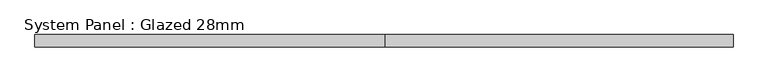
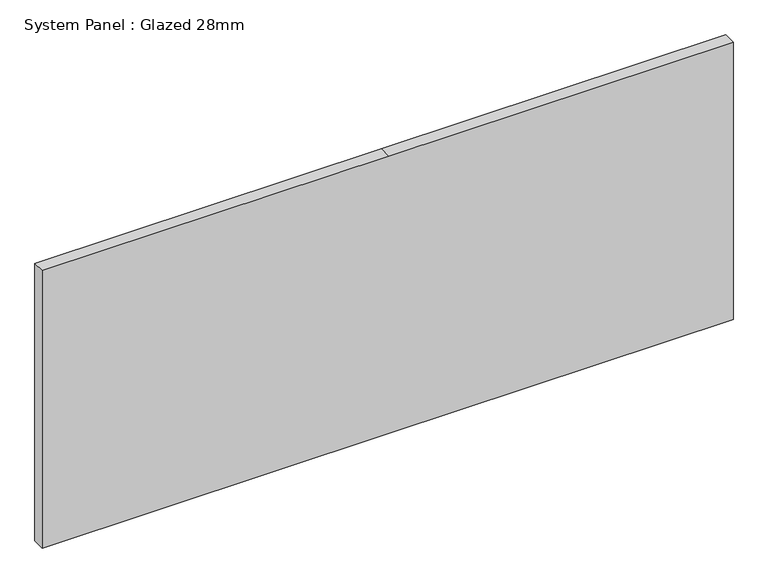
"""IFC4 building model written with IfcOpenShell, lengths in millimetres: plate geometry, System Panel : Glazed 28mm."""

import ifcopenshell
import ifcopenshell.guid

model = None  # the IFC model being written
_history = None  # IfcOwnerHistory: only IFC2X3 demands one
_inside = {}  # id of a spatial element -> (the spatial element, [elements in it])
_under = {}  # id of a project, library or spatial element -> (it, [spatial elements below it])
_declared = {}  # id of a project -> (the project, [libraries it declares])
_typed = {}  # id of a type object -> (the type object, [elements of that type])
_made_of = {}  # id of a material, layer set ... -> (it, [elements and type objects made of it])


def new_model(schema):
    """Start an empty IFC model of exactly this schema.

    Asked for "IFC4X3", IfcOpenShell would pick the latest addendum, in which some entities
    have other attributes; the version numbers below select the first issue.
    IFC2X3 requires an IfcOwnerHistory on every rooted entity: one is made here for all.
    """
    global model, _history
    if schema == "IFC4X3":
        model = ifcopenshell.file(schema_version=(4, 3, 0, 0))
    else:
        model = ifcopenshell.file(schema=schema)
    _inside.clear()
    _under.clear()
    _declared.clear()
    _typed.clear()
    _made_of.clear()
    _history = None
    if model.schema == "IFC2X3":
        org = make("IfcOrganization", Name="unknown")
        user = make(
            "IfcPersonAndOrganization",
            ThePerson=make("IfcPerson", FamilyName="unknown"),
            TheOrganization=org,
        )
        app = make(
            "IfcApplication",
            ApplicationDeveloper=org,
            Version="unknown",
            ApplicationFullName="unknown",
            ApplicationIdentifier="unknown",
        )
        _history = make(
            "IfcOwnerHistory",
            OwningUser=user,
            OwningApplication=app,
            ChangeAction="ADDED",
            CreationDate=0,
        )
    return model


def make(cls, **values):
    """One entity of the class cls with the attributes given. An attribute that is None is left unset."""
    return model.create_entity(
        cls, **{name: value for name, value in values.items() if value is not None}
    )


def rooted(cls, **values):
    """An entity with a GlobalId (a new one), such as an element, a storey or a relation."""
    return make(cls, GlobalId=ifcopenshell.guid.new(), OwnerHistory=_history, **values)


def si_unit(unit_type, name, prefix=None):
    """IfcSIUnit, for example si_unit("LENGTHUNIT", "METRE", prefix="MILLI")."""
    return make("IfcSIUnit", UnitType=unit_type, Prefix=prefix, Name=name)


def assignment(units):
    """IfcUnitAssignment: the units of a project."""
    return None if units is None else make("IfcUnitAssignment", Units=units)


def point(xyz):
    """IfcCartesianPoint."""
    return None if xyz is None else make("IfcCartesianPoint", Coordinates=xyz)


def direction(xyz):
    """IfcDirection."""
    return None if xyz is None else make("IfcDirection", DirectionRatios=xyz)


def frame(location, z_axis=None, x_axis=None):
    """IfcAxis2Placement3D, a coordinate frame: its origin and axes. An axis left out is left unset."""
    return make(
        "IfcAxis2Placement3D",
        Location=point(location),
        Axis=direction(z_axis),
        RefDirection=direction(x_axis),
    )


def origin():
    """The frame at (0, 0, 0) with its axes left unset."""
    return frame((0.0, 0.0, 0.0))


def place(relative_to, where):
    """IfcLocalPlacement: puts the frame where relative to a parent placement (None: the world)."""
    return make(
        "IfcLocalPlacement", PlacementRelTo=relative_to, RelativePlacement=where
    )


def context(
    kind, dimensions, precision=None, world=None, true_north=None, identifier=None
):
    """IfcGeometricRepresentationContext, for example the 3D "Model" context."""
    return make(
        "IfcGeometricRepresentationContext",
        ContextIdentifier=identifier,
        ContextType=kind,
        CoordinateSpaceDimension=dimensions,
        Precision=precision,
        WorldCoordinateSystem=world,
        TrueNorth=true_north,
    )


def project(units=None, contexts=None):
    """IfcProject with its units and contexts."""
    return rooted(
        "IfcProject",
        Name="project",
        RepresentationContexts=contexts,
        UnitsInContext=assignment(units),
    )


def spatial(cls, under=None, at=None, **own):
    """A site, building, storey or space (cls), placed at a placement, below another one or the project."""
    s = rooted(cls, ObjectPlacement=at, **own)
    if under is not None:
        _under.setdefault(under.id(), (under, []))[1].append(s)
    return s


def polyline(points):
    """IfcPolyline through the points."""
    return make("IfcPolyline", Points=[point(p) for p in points])


def outline(outer, holes=None, kind="AREA"):
    """IfcArbitraryClosedProfileDef: a profile drawn as a closed curve; with holes, ...WithVoids."""
    if holes is None:
        return make("IfcArbitraryClosedProfileDef", ProfileType=kind, OuterCurve=outer)
    return make(
        "IfcArbitraryProfileDefWithVoids",
        ProfileType=kind,
        OuterCurve=outer,
        InnerCurves=holes,
    )


def extrude(swept, where, along, depth):
    """IfcExtrudedAreaSolid: the profile swept, set in the frame where, extruded along a direction by depth."""
    return make(
        "IfcExtrudedAreaSolid",
        SweptArea=swept,
        Position=where,
        ExtrudedDirection=direction(along),
        Depth=depth,
    )


def shape(context_of_items, identifier, shape_type, items):
    """IfcShapeRepresentation: the items that make up one representation, for example the "Body"."""
    return make(
        "IfcShapeRepresentation",
        ContextOfItems=context_of_items,
        RepresentationIdentifier=identifier,
        RepresentationType=shape_type,
        Items=items,
    )


def source(mapping_origin, context_of_items, identifier, shape_type, items):
    """IfcRepresentationMap: a shape defined once, which mapped items show again and again."""
    return make(
        "IfcRepresentationMap",
        MappingOrigin=mapping_origin,
        MappedRepresentation=shape(context_of_items, identifier, shape_type, items),
    )


def transform(
    local_origin,
    x_axis=None,
    y_axis=None,
    z_axis=None,
    scale=None,
    scale2=None,
    scale3=None,
    uniform=True,
):
    """IfcCartesianTransformationOperator3D, or its non-uniform kind. x_axis, y_axis, z_axis: its Axis1, 2, 3."""
    if uniform:
        return make(
            "IfcCartesianTransformationOperator3D",
            Axis1=direction(x_axis),
            Axis2=direction(y_axis),
            LocalOrigin=point(local_origin),
            Scale=scale,
            Axis3=direction(z_axis),
        )
    return make(
        "IfcCartesianTransformationOperator3DnonUniform",
        Axis1=direction(x_axis),
        Axis2=direction(y_axis),
        LocalOrigin=point(local_origin),
        Scale=scale,
        Axis3=direction(z_axis),
        Scale2=scale2,
        Scale3=scale3,
    )


def mapped(mapping_source, mapping_target):
    """IfcMappedItem: shows the shape of a source again, moved by a transform."""
    return make(
        "IfcMappedItem", MappingSource=mapping_source, MappingTarget=mapping_target
    )


def made_of(thing, what):
    """Note that an element or type object is made of a material, layer set ...; save() writes the relation."""
    if what is not None:
        _made_of.setdefault(what.id(), (what, []))[1].append(thing)
    return thing


def element(
    cls,
    number,
    at=None,
    inside=None,
    cuts=None,
    type_object=None,
    material=None,
    context=None,
    identifier="Body",
    shape_type=None,
    held_by="IfcProductDefinitionShape",
    body=None,
    shapes=None,
    **own,
):
    """One element of the class cls, such as IfcWall. Its Tag is "e" and its number.

    at: its placement. inside: the storey or other place that contains it. cuts: it is an
    opening in that element (IfcRelVoidsElement). A single representation is given by context,
    identifier, shape_type and body (its items); several are given by shapes. held_by: the class
    of the entity that holds the representations. save() writes the other relations.
    """
    e = rooted(cls, Tag="e%d" % number, ObjectPlacement=at, **own)
    if body is not None:
        shapes = [shape(context, identifier, shape_type, body)]
    if shapes is not None:
        e.Representation = make(held_by, Representations=shapes)
    if inside is not None:
        _inside.setdefault(inside.id(), (inside, []))[1].append(e)
    if cuts is not None:
        rooted(
            "IfcRelVoidsElement", RelatingBuildingElement=cuts, RelatedOpeningElement=e
        )
    if type_object is not None:
        _typed.setdefault(type_object.id(), (type_object, []))[1].append(e)
    return made_of(e, material)


def aggregate(whole, parts):
    """IfcRelAggregates: a whole, such as a stair, and the parts it consists of."""
    return rooted("IfcRelAggregates", RelatingObject=whole, RelatedObjects=parts)


def save(model, path):
    """Write the relations noted so far, then the file.

    IfcRelAggregates (storeys below a building ...), IfcRelContainedInSpatialStructure (elements
    in a storey), IfcRelDefinesByType, IfcRelAssociatesMaterial and IfcRelDeclares: one each for
    every whole, place, type object, material and project.
    """
    for whole, parts in _under.values():
        aggregate(whole, parts)
    for where, things in _inside.values():
        rooted(
            "IfcRelContainedInSpatialStructure",
            RelatedElements=things,
            RelatingStructure=where,
        )
    for kind, things in _typed.values():
        rooted("IfcRelDefinesByType", RelatedObjects=things, RelatingType=kind)
    for what, things in _made_of.values():
        rooted("IfcRelAssociatesMaterial", RelatedObjects=things, RelatingMaterial=what)
    for by, libraries in _declared.values():
        rooted("IfcRelDeclares", RelatingContext=by, RelatedDefinitions=libraries)
    model.write(path)


def system_panel_glazed_28mm_1b7fe7a4(model_context):
    return source(origin(), model_context, "Body", "SweptSolid", [
        extrude(outline(polyline([(0.0, -778.0000358), (0.0, 2.9948526), (0.0, 778.0000358), (661.0049991, 778.0000358), (661.0049991, 2.9948526), (661.0049991, -778.0000358), (0.0, -778.0000358)])), frame((0.0, -14.0, 0.0), z_axis=(0.0, 1.0, 0.0), x_axis=(0.0, 0.0, 1.0)), (0.0, 0.0, 1.0), 28.0),
    ])


if __name__ == "__main__":
    model = new_model("IFC4")
    model_context = context("Model", 3, world=origin())
    ifc_project = project(units=[si_unit("LENGTHUNIT", "METRE", prefix="MILLI")], contexts=[model_context])
    site = spatial("IfcSite", under=ifc_project)
    building = spatial("IfcBuilding", under=site)
    placement = place(None, origin())
    system_panel_glazed_28mm_shape = system_panel_glazed_28mm_1b7fe7a4(model_context)
    element("IfcPlate", 1, ObjectType="System Panel : Glazed 28mm", at=placement, inside=building, context=model_context, shape_type="MappedRepresentation", body=[
        mapped(system_panel_glazed_28mm_shape, transform((0.0, 0.0, 0.0), x_axis=(1.0, 0.0, 0.0), y_axis=(0.0, 1.0, 0.0), z_axis=(0.0, 0.0, 1.0))),
    ])
    save(model, "model.ifc")
